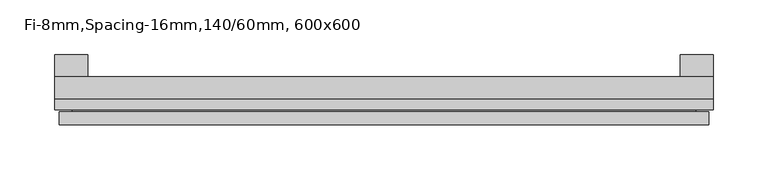
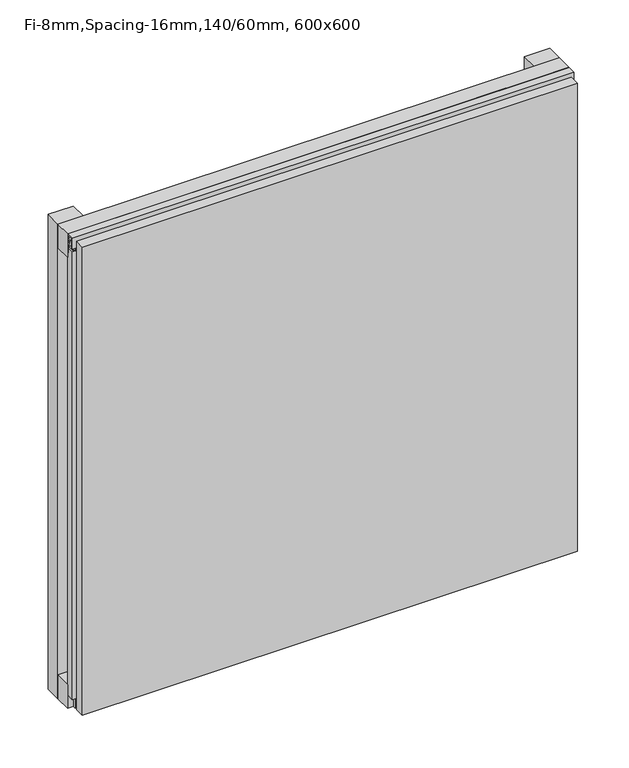
"""IFC4 building model written with IfcOpenShell, lengths in millimetres: plate geometry, Fi-8mm,Spacing-16mm,140/60mm, 600x600."""

from ifc_helpers import new_model, si_unit, frame, origin, origin_with_axes, place, context, project, spatial, polyline, outline, extrude, faceted_brep, source, transform, mapped, element, save


def fi_8mm_spacing_16mm_140_60mm_600x600_6a661b1b(model_context):
    return source(origin(), model_context, "Body", "SolidModel", [
        extrude(outline(polyline([(-300.0, -40.0), (-300.0, -20.0), (300.0, -20.0), (300.0, -40.0), (-300.0, -40.0)])), frame((0.0, 0.0, 570.0), z_axis=(0.0, 0.0, 1.0), x_axis=(1.0, 0.0, 0.0)), (0.0, 0.0, 1.0), 30.0),
        extrude(outline(polyline([(-300.0, -40.0), (-300.0, -20.0), (300.0, -20.0), (300.0, -40.0), (-300.0, -40.0)])), origin_with_axes(), (0.0, 0.0, 1.0), 30.0),
        extrude(outline(polyline([(270.0, 0.0), (300.0, 0.0), (300.0, -20.0), (270.0, -20.0), (270.0, 0.0)])), origin_with_axes(), (0.0, 0.0, 1.0), 600.0),
        extrude(outline(polyline([(-270.0, 0.0), (-270.0, -20.0), (-300.0, -20.0), (-300.0, 0.0), (-270.0, 0.0)])), origin_with_axes(), (0.0, 0.0, 1.0), 600.0),
        extrude(outline(polyline([(-40.0, 593.700916), (-43.5, 593.700916), (-40.0553267, 584.6441401), (-40.0553267, 577.008452), (-41.4553267, 577.008452), (-41.4553267, 584.4296606), (-45.5140545, 595.100916), (-41.4, 595.100916), (-41.4, 598.5843193), (-48.7, 598.5843193), (-48.7, 586.5843193), (-50.1, 586.5843193), (-50.1, 600.0), (-40.0, 600.0), (-40.0, 593.700916)])), frame((-300.0, 0.0, 0.0), z_axis=(1.0, 0.0, 0.0), x_axis=(0.0, 1.0, 0.0)), (0.0, 0.0, 1.0), 600.0),
        extrude(outline(polyline([(-293.700916, -40.0), (-293.700916, -43.5), (-284.6441401, -40.0553267), (-277.008452, -40.0553267), (-277.008452, -41.4553267), (-284.4296606, -41.4553267), (-295.100916, -45.5140545), (-295.100916, -41.4), (-298.5843193, -41.4), (-298.5843193, -48.7), (-286.5843193, -48.7), (-286.5843193, -50.1), (-300.0, -50.1), (-300.0, -40.0), (-293.700916, -40.0)])), frame((0.0, 0.0, 16.9558599), z_axis=(0.0, 0.0, 1.0), x_axis=(1.0, 0.0, 0.0)), (0.0, 0.0, 1.0), 566.0882802),
        faceted_brep([(296.0, -45.9, 596.0), (-296.0, -45.9, 596.0), (-296.0, -48.7, 596.0), (296.0, -48.7, 596.0), (-296.0, -63.9, 596.0), (296.0, -63.9, 596.0), (296.0, -51.9, 596.0), (-296.0, -51.9, 596.0), (-296.0, -45.9, 4.0), (296.0, -45.9, 4.0), (296.0, -48.7, 4.0), (-296.0, -48.7, 4.0), (296.0, -63.9, 4.0), (-296.0, -63.9, 4.0), (-296.0, -51.9, 4.0), (296.0, -51.9, 4.0), (284.0, -51.9, 584.0), (284.0, -51.9, 16.0), (284.0, -48.7, 16.0), (284.0, -48.7, 584.0), (-284.0, -51.9, 16.0), (-284.0, -48.7, 16.0), (-284.0, -51.9, 584.0), (-284.0, -48.7, 584.0)], [[[0, 1, 2, 3]], [[4, 5, 6, 7]], [[8, 9, 10, 11]], [[12, 13, 14, 15]], [[1, 0, 9, 8]], [[1, 8, 11, 2]], [[13, 4, 7, 14]], [[5, 4, 13, 12]], [[9, 0, 3, 10]], [[5, 12, 15, 6]], [[16, 17, 18, 19]], [[18, 17, 20, 21]], [[21, 20, 22, 23]], [[16, 19, 23, 22]], [[7, 6, 15, 14], [17, 16, 22, 20]], [[3, 2, 11, 10], [19, 18, 21, 23]]]),
    ])


if __name__ == "__main__":
    model = new_model("IFC4")
    model_context = context("Model", 3, world=origin())
    ifc_project = project(units=[si_unit("LENGTHUNIT", "METRE", prefix="MILLI")], contexts=[model_context])
    site = spatial("IfcSite", under=ifc_project)
    building = spatial("IfcBuilding", under=site)
    placement = place(None, origin())
    fi_8mm_spacing_16mm_140_60mm_600x600_shape = fi_8mm_spacing_16mm_140_60mm_600x600_6a661b1b(model_context)
    element("IfcPlate", 1, ObjectType="Fi-8mm,Spacing-16mm,140/60mm, 600x600", at=placement, inside=building, context=model_context, shape_type="MappedRepresentation", body=[
        mapped(fi_8mm_spacing_16mm_140_60mm_600x600_shape, transform((0.0, 0.0, 0.0), x_axis=(1.0, 0.0, 0.0), y_axis=(0.0, 1.0, 0.0), z_axis=(0.0, 0.0, 1.0))),
    ])
    save(model, "model.ifc")
